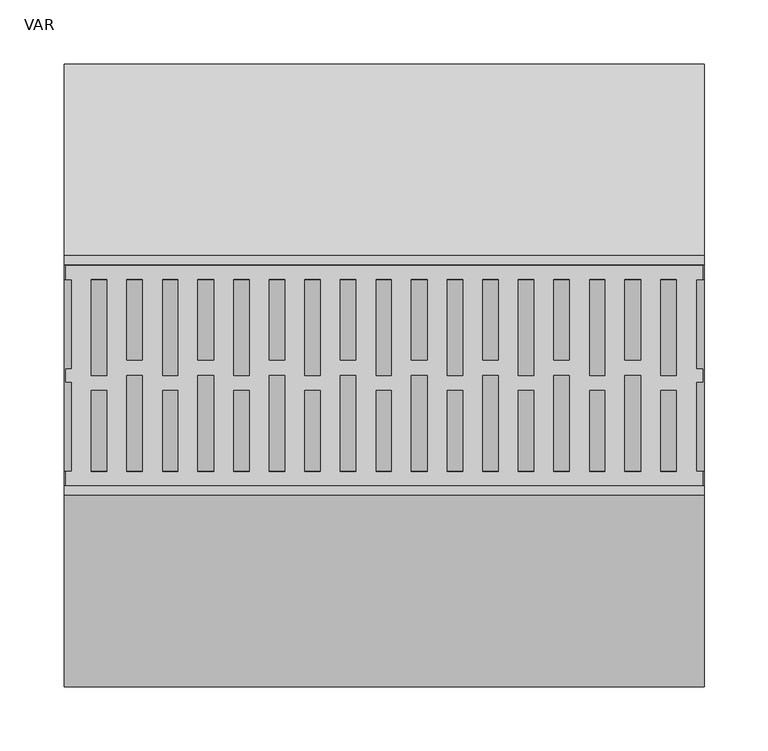
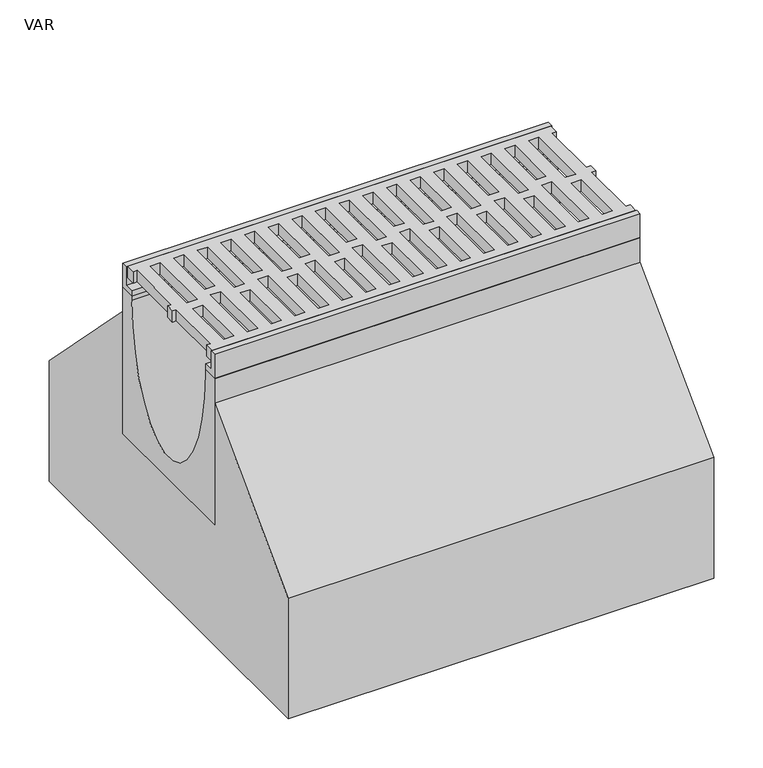
"""IFC4 building model written with IfcOpenShell, lengths in millimetres: flow terminal geometry, VAR."""

from ifc_helpers import new_model, si_unit, point, frame, origin, place, context, project, spatial, polyline, ellipse_curve, trimmed, outline, extrude, source, transform, mapped, element, save
from ifc_brep_helpers import plane_surface, extruded_surface, advanced_brep


def var_a49191bf(model_context):
    return source(origin(), model_context, "Body", "SolidModel", [
        extrude(outline(polyline([(499.0, 75.0), (493.7871589, 75.0), (493.7871589, 5.0), (499.0, 5.0), (499.0, -5.0), (493.9604202, -5.0), (493.9604202, -75.0), (499.0, -75.0), (499.0, -86.0), (1.5, -86.0), (1.5, -75.0), (6.0847381, -75.0), (6.0847381, -5.0), (1.5, -5.0), (1.5, 5.0), (6.0847381, 5.0), (6.0847381, 75.0), (1.5, 75.0), (1.5, 86.0), (499.0, 86.0), (499.0, 75.0)]), holes=[polyline([(478.2, 75.0), (466.2429028, 75.0), (466.2429028, 0.0), (478.2, 0.0), (478.2, 75.0)]), polyline([(422.6, 75.0), (410.6429028, 75.0), (410.6429028, 0.0), (422.6, 0.0), (422.6, 75.0)]), polyline([(367.0, 75.0), (355.0429028, 75.0), (355.0429028, 0.0), (367.0, 0.0), (367.0, 75.0)]), polyline([(311.4, 75.0), (299.4429028, 75.0), (299.4429028, 0.0), (311.4, 0.0), (311.4, 75.0)]), polyline([(255.8, 75.0), (243.8429028, 75.0), (243.8429028, 0.0), (255.8, 0.0), (255.8, 75.0)]), polyline([(200.2, 75.0), (188.2429028, 75.0), (188.2429028, 0.0), (200.2, 0.0), (200.2, 75.0)]), polyline([(144.6, 75.0), (132.6429028, 75.0), (132.6429028, 0.0), (144.6, 0.0), (144.6, 75.0)]), polyline([(89.0, 75.0), (77.0429028, 75.0), (77.0429028, 0.0), (89.0, 0.0), (89.0, 75.0)]), polyline([(49.0305238, -75.0), (61.2, -75.0), (61.2, 0.0), (49.0305238, 0.0), (49.0305238, -75.0)]), polyline([(104.6305238, -75.0), (116.8, -75.0), (116.8, 0.0), (104.6305238, 0.0), (104.6305238, -75.0)]), polyline([(160.2305238, -75.0), (172.4, -75.0), (172.4, 0.0), (160.2305238, 0.0), (160.2305238, -75.0)]), polyline([(215.8305238, -75.0), (228.0, -75.0), (228.0, 0.0), (215.8305238, 0.0), (215.8305238, -75.0)]), polyline([(271.4305238, -75.0), (283.6, -75.0), (283.6, 0.0), (271.4305238, 0.0), (271.4305238, -75.0)]), polyline([(327.0305238, -75.0), (339.2, -75.0), (339.2, 0.0), (327.0305238, 0.0), (327.0305238, -75.0)]), polyline([(382.6305238, -75.0), (394.8, -75.0), (394.8, 0.0), (382.6305238, 0.0), (382.6305238, -75.0)]), polyline([(438.2305238, -75.0), (450.4, -75.0), (450.4, 0.0), (438.2305238, 0.0), (438.2305238, -75.0)]), polyline([(450.4, 75.0), (438.2305238, 75.0), (438.2305238, 11.948473), (450.4, 11.948473), (450.4, 75.0)]), polyline([(394.8, 75.0), (382.6305238, 75.0), (382.6305238, 11.948473), (394.8, 11.948473), (394.8, 75.0)]), polyline([(339.2, 75.0), (327.0305238, 75.0), (327.0305238, 11.948473), (339.2, 11.948473), (339.2, 75.0)]), polyline([(283.6, 75.0), (271.4305238, 75.0), (271.4305238, 11.948473), (283.6, 11.948473), (283.6, 75.0)]), polyline([(228.0, 75.0), (215.8305238, 75.0), (215.8305238, 11.948473), (228.0, 11.948473), (228.0, 75.0)]), polyline([(172.4, 75.0), (160.2305238, 75.0), (160.2305238, 11.948473), (172.4, 11.948473), (172.4, 75.0)]), polyline([(116.8, 75.0), (104.6305238, 75.0), (104.6305238, 11.948473), (116.8, 11.948473), (116.8, 75.0)]), polyline([(61.2, 75.0), (49.0305238, 75.0), (49.0305238, 11.948473), (61.2, 11.948473), (61.2, 75.0)]), polyline([(478.2, -75.0), (478.2, -11.948473), (466.2, -11.948473), (466.2, -75.0), (478.2, -75.0)]), polyline([(422.6, -75.0), (422.6, -11.948473), (410.6, -11.948473), (410.6, -75.0), (422.6, -75.0)]), polyline([(367.0, -75.0), (367.0, -11.948473), (355.0, -11.948473), (355.0, -75.0), (367.0, -75.0)]), polyline([(311.4, -75.0), (311.4, -11.948473), (299.4, -11.948473), (299.4, -75.0), (311.4, -75.0)]), polyline([(255.8, -75.0), (255.8, -11.948473), (243.8, -11.948473), (243.8, -75.0), (255.8, -75.0)]), polyline([(200.2, -75.0), (200.2, -11.948473), (188.2, -11.948473), (188.2, -75.0), (200.2, -75.0)]), polyline([(144.6, -75.0), (144.6, -11.948473), (132.6, -11.948473), (132.6, -75.0), (144.6, -75.0)]), polyline([(89.0, -75.0), (89.0, -11.948473), (77.0, -11.948473), (77.0, -75.0), (89.0, -75.0)]), polyline([(33.4, -75.0), (33.4, -11.948473), (21.4, -11.948473), (21.4, -75.0), (33.4, -75.0)]), polyline([(33.4, 75.0), (21.4429028, 75.0), (21.4429028, 0.0), (33.4, 0.0), (33.4, 75.0)])]), frame((0.0, 0.0, -14.0), z_axis=(0.0, 0.0, 1.0), x_axis=(1.0, 0.0, 0.0)), (0.0, 0.0, 1.0), 14.0),
        advanced_brep(
        [(0.0, 75.0, -30.0), (0.0, 93.5, -30.0), (0.0, 93.5, -212.0), (0.0, -93.5, -212.0), (0.0, -93.5, -30.0), (0.0, -75.0, -30.0), (0.0, -75.0, -35.0), (0.0, 75.0, -35.0), (500.0, 75.0, -30.0), (500.0, 75.0, -35.0), (500.0, -75.0, -35.0), (500.0, -75.0, -30.0), (500.0, -93.5, -30.0), (500.0, -93.5, -212.0), (500.0, 93.5, -212.0), (500.0, 93.5, -30.0)],
        [
            (0, 1),
            (1, 2),
            (2, 3),
            (3, 4),
            (4, 5),
            (5, 6),
            (6, 7, ellipse_curve(frame((0.0, 0.0, -35.0), z_axis=(1.0, 0.0, 0.0), x_axis=(0.0, 1.0, 0.0)), 75.0, 150.0)),
            (7, 0),
            (8, 9),
            (9, 10, ellipse_curve(frame((500.0, 0.0, -35.0), z_axis=(-1.0, 0.0, 0.0), x_axis=(0.0, 1.0, 0.0)), 75.0, 150.0)),
            (10, 11),
            (11, 12),
            (12, 13),
            (13, 14),
            (14, 15),
            (15, 8),
            (8, 0),
            (7, 9),
            (6, 10),
            (5, 11),
            (4, 12),
            (3, 13),
            (2, 14),
            (1, 15),
        ],
        [
            plane_surface(frame((0.0, 0.0, -76.75), z_axis=(-1.0, 0.0, 0.0), x_axis=(0.0, 0.0, -1.0))),
            plane_surface(frame((500.0, 0.0, -76.75), z_axis=(1.0, 0.0, 0.0), x_axis=(0.0, 0.0, -1.0))),
            plane_surface(frame((500.0, 75.0, -32.5), z_axis=(0.0, -1.0, 0.0), x_axis=(0.0, 0.0, -1.0))),
            extruded_surface(trimmed(ellipse_curve(frame((0.0, 0.0, -35.0), z_axis=(-1.0, 0.0, 0.0), x_axis=(0.0, 1.0, 0.0)), 75.0, 150.0), [point((0.0, 75.0, -35.0))], [point((0.0, -75.0, -35.0))], True, "CARTESIAN"), (500.0, 0.0, 0.0), 500.0),
            plane_surface(frame((500.0, -75.0, -32.5), z_axis=(0.0, 1.0, 0.0), x_axis=(0.0, 0.0, 1.0))),
            plane_surface(frame((500.0, -84.25, -30.0), z_axis=(0.0, 0.0, 1.0), x_axis=(0.0, -1.0, 0.0))),
            plane_surface(frame((500.0, -93.5, -121.0), z_axis=(0.0, -1.0, 0.0), x_axis=(0.0, 0.0, -1.0))),
            plane_surface(frame((500.0, 0.0, -212.0), z_axis=(0.0, 0.0, -1.0), x_axis=(0.0, 1.0, 0.0))),
            plane_surface(frame((500.0, 93.5, -121.0), z_axis=(0.0, 1.0, 0.0), x_axis=(0.0, 0.0, 1.0))),
            plane_surface(frame((500.0, 84.25, -30.0), z_axis=(0.0, 0.0, 1.0), x_axis=(0.0, -1.0, 0.0))),
        ],
        [
            (0, [[1, 2, 3, 4, 5, 6, 7, 8]]),
            (1, [[9, 10, 11, 12, 13, 14, 15, 16]]),
            (2, [[17, -8, 18, -9]]),
            (3, [[-18, -7, 19, -10]]),
            (4, [[-19, -6, 20, -11]]),
            (5, [[-20, -5, 21, -12]]),
            (6, [[-21, -4, 22, -13]]),
            (7, [[-22, -3, 23, -14]]),
            (8, [[-23, -2, 24, -15]]),
            (9, [[-24, -1, -17, -16]]),
        ],
    ),
        extrude(outline(polyline([(86.5, 0.0), (93.5, 0.0), (93.5, -30.0), (75.0, -30.0), (75.0, -23.0), (86.5, -23.0), (86.5, 0.0)])), frame((0.0, 0.0, 0.0), z_axis=(1.0, 0.0, 0.0), x_axis=(0.0, 1.0, 0.0)), (0.0, 0.0, 1.0), 500.0),
        extrude(outline(polyline([(-86.5, 0.0), (-86.5, -23.0), (-75.0, -23.0), (-75.0, -30.0), (-93.5, -30.0), (-93.5, 0.0), (-86.5, 0.0)])), frame((0.0, 0.0, 0.0), z_axis=(1.0, 0.0, 0.0), x_axis=(0.0, 1.0, 0.0)), (0.0, 0.0, 1.0), 500.0),
        extrude(outline(polyline([(93.5, -212.0), (93.5, -60.0), (243.5, -212.0), (243.5, -362.0), (-243.5, -362.0), (-243.5, -212.0), (-93.5, -60.0), (-93.5, -212.0), (93.5, -212.0)])), frame((0.0, 0.0, 0.0), z_axis=(1.0, 0.0, 0.0), x_axis=(0.0, 1.0, 0.0)), (0.0, 0.0, 1.0), 500.0),
    ])


if __name__ == "__main__":
    model = new_model("IFC4")
    model_context = context("Model", 3, world=origin())
    ifc_project = project(units=[si_unit("LENGTHUNIT", "METRE", prefix="MILLI")], contexts=[model_context])
    site = spatial("IfcSite", under=ifc_project)
    building = spatial("IfcBuilding", under=site)
    placement = place(None, origin())
    var_shape = var_a49191bf(model_context)
    element("IfcFlowTerminal", 1, ObjectType="VAR", at=placement, inside=building, context=model_context, shape_type="MappedRepresentation", body=[
        mapped(var_shape, transform((0.0, 0.0, 0.0), x_axis=(1.0, 0.0, 0.0), y_axis=(0.0, 1.0, 0.0), z_axis=(0.0, 0.0, 1.0))),
    ])
    save(model, "model.ifc")
